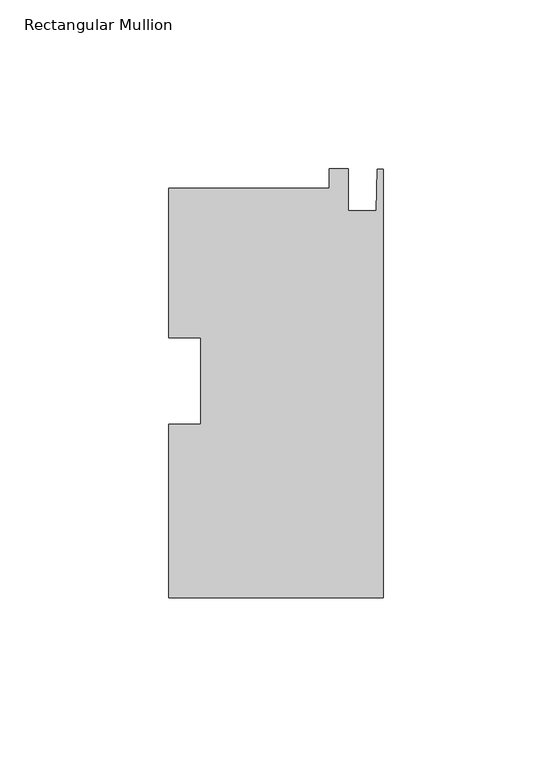
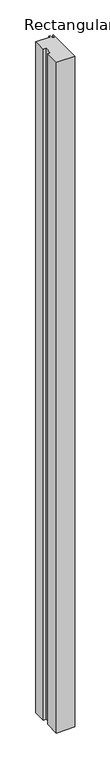
"""IFC4 building model written with IfcOpenShell, lengths in millimetres: member geometry, Rectangular Mullion."""

from ifc_helpers import new_model, si_unit, frame, origin, place, context, project, spatial, polyline, outline, extrude, source, transform, mapped, element, save


def rectangular_mullion_6024c2cf(model_context):
    return source(origin(), model_context, "Body", "SweptSolid", [
        extrude(outline(polyline([(-63.5, -96.0003513), (-63.5, -44.4960587), (-53.975, -44.4960587), (-53.975, -18.9801921), (-63.5, -18.9801921), (-63.5, 25.4370487), (-15.875, 25.4370487), (-15.875, 31.1455582), (-10.3124, 31.1455582), (-10.3124, 18.6552487), (-2.032, 18.6552487), (-1.778, 30.9996487), (0.0, 30.9996487), (0.0, -96.0003513), (-63.5, -96.0003513)])), frame((0.0, 0.0, -2438.4), z_axis=(0.0, 0.0, 1.0), x_axis=(1.0, 0.0, 0.0)), (0.0, 0.0, 1.0), 2438.4),
    ])


if __name__ == "__main__":
    model = new_model("IFC4")
    model_context = context("Model", 3, world=origin())
    ifc_project = project(units=[si_unit("LENGTHUNIT", "METRE", prefix="MILLI")], contexts=[model_context])
    site = spatial("IfcSite", under=ifc_project)
    building = spatial("IfcBuilding", under=site)
    placement = place(None, origin())
    rectangular_mullion_shape = rectangular_mullion_6024c2cf(model_context)
    element("IfcMember", 1, ObjectType="Rectangular Mullion", at=placement, inside=building, context=model_context, shape_type="MappedRepresentation", body=[
        mapped(rectangular_mullion_shape, transform((0.0, 0.0, 0.0), x_axis=(1.0, 0.0, 0.0), y_axis=(0.0, 1.0, 0.0), z_axis=(0.0, 0.0, 1.0))),
    ])
    save(model, "model.ifc")
